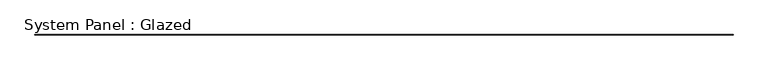
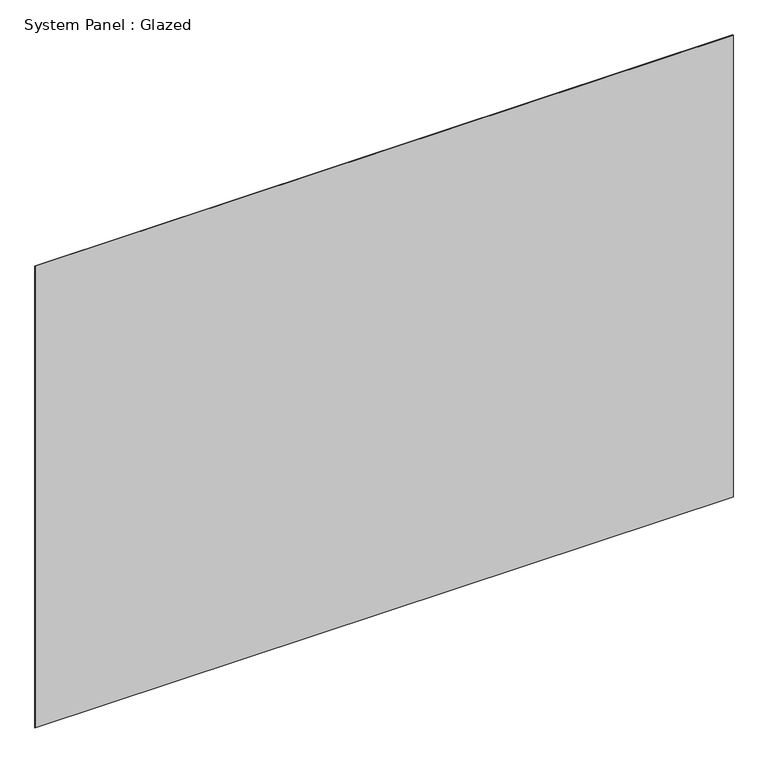
"""IFC4 building model written with IfcOpenShell, lengths in millimetres: plate geometry, System Panel : Glazed."""

from ifc_helpers import new_model, si_unit, origin, origin_with_axes, place, context, project, spatial, polyline, outline, extrude, source, transform, mapped, element, save


def system_panel_glazed_e7e1e73f(model_context):
    return source(origin(), model_context, "Body", "SweptSolid", [
        extrude(outline(polyline([(15240.0, 19.05), (-15240.0, 19.05), (-15240.0, 44.45), (15240.0, 44.45), (15240.0, 19.05)])), origin_with_axes(), (0.0, 0.0, 1.0), 21336.0),
    ])


if __name__ == "__main__":
    model = new_model("IFC4")
    model_context = context("Model", 3, world=origin())
    ifc_project = project(units=[si_unit("LENGTHUNIT", "METRE", prefix="MILLI")], contexts=[model_context])
    site = spatial("IfcSite", under=ifc_project)
    building = spatial("IfcBuilding", under=site)
    placement = place(None, origin())
    system_panel_glazed_shape = system_panel_glazed_e7e1e73f(model_context)
    element("IfcPlate", 1, ObjectType="System Panel : Glazed", at=placement, inside=building, context=model_context, shape_type="MappedRepresentation", body=[
        mapped(system_panel_glazed_shape, transform((0.0, 0.0, 0.0), x_axis=(1.0, 0.0, 0.0), y_axis=(0.0, 1.0, 0.0), z_axis=(0.0, 0.0, 1.0))),
    ])
    save(model, "model.ifc")
